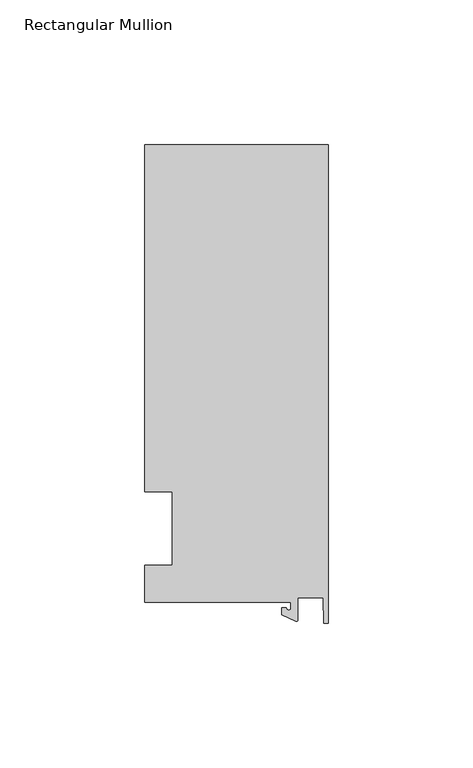
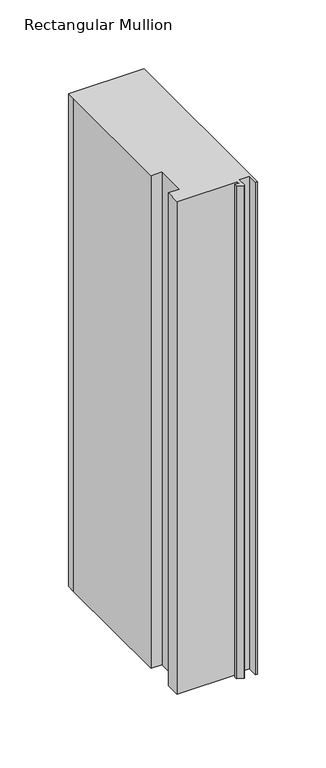
"""IFC4 building model written with IfcOpenShell, lengths in millimetres: member geometry, Rectangular Mullion."""

from ifc_helpers import new_model, si_unit, point, frame, frame_2d, origin, place, context, project, spatial, polyline, circle_curve, trimmed, segment, composite_curve, outline, extrude, source, transform, mapped, element, save


def rectangular_mullion_b7be26fa(model_context):
    return source(origin(), model_context, "Body", "SweptSolid", [
        extrude(outline(composite_curve([segment(polyline([(-12.8216721, -25.5984375), (-63.5, -25.5984375), (-63.5, -12.7), (-53.975, -12.7), (-53.975, 12.7), (-63.5, 12.7), (-63.5, 125.075512), (-63.5, 132.822512), (0.0, 132.822512), (0.0, -32.810012), (-1.5566453, -32.810012), (-1.7144124, -23.9227662), (-10.4340721, -23.9227662), (-10.4340721, -31.6795354)]), True, "CONTINUOUS"), segment(trimmed(circle_curve(frame_2d((-10.9420721, -31.6795354)), 0.508), [point((-10.4340721, -31.6795354))], [point((-11.1567622, -32.1399398))], False, "CARTESIAN"), True, "CONTINUOUS"), segment(polyline([(-11.1567622, -32.1399398), (-15.9966721, -29.8830527), (-15.9966721, -27.5208534), (-14.4091721, -27.5208534)]), True, "CONTINUOUS"), segment(trimmed(circle_curve(frame_2d((-13.6154221, -27.5208534)), 0.79375), [point((-14.4091721, -27.5208534))], [point((-12.8216721, -27.5208534))], True, "CARTESIAN"), True, "CONTINUOUS"), segment(polyline([(-12.8216721, -27.5208534), (-12.8216721, -25.5984375)]), True, "CONTINUOUS")], self_intersect=False)), frame((0.0, 0.0, -438.15), z_axis=(0.0, 0.0, 1.0), x_axis=(1.0, 0.0, 0.0)), (0.0, 0.0, 1.0), 438.15),
    ])


if __name__ == "__main__":
    model = new_model("IFC4")
    model_context = context("Model", 3, world=origin())
    ifc_project = project(units=[si_unit("LENGTHUNIT", "METRE", prefix="MILLI")], contexts=[model_context])
    site = spatial("IfcSite", under=ifc_project)
    building = spatial("IfcBuilding", under=site)
    placement = place(None, origin())
    rectangular_mullion_shape = rectangular_mullion_b7be26fa(model_context)
    element("IfcMember", 1, ObjectType="Rectangular Mullion", at=placement, inside=building, context=model_context, shape_type="MappedRepresentation", body=[
        mapped(rectangular_mullion_shape, transform((0.0, 0.0, 0.0), x_axis=(1.0, 0.0, 0.0), y_axis=(0.0, 1.0, 0.0), z_axis=(0.0, 0.0, 1.0))),
    ])
    save(model, "model.ifc")
